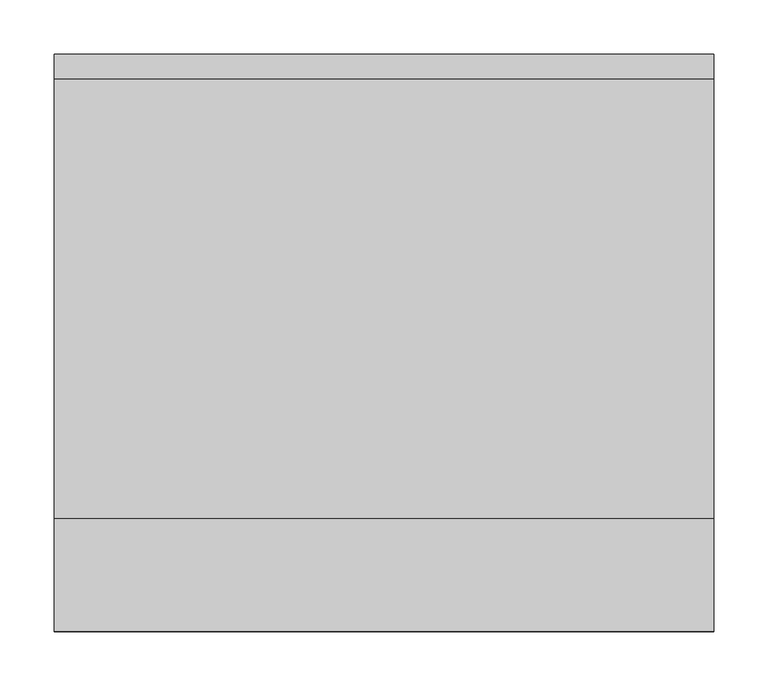
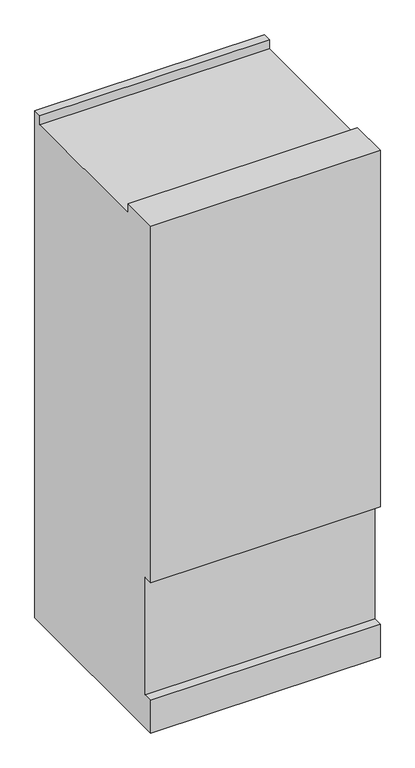
"""IFC4 building model written with IfcOpenShell, lengths in millimetres: proxy geometry."""

import ifcopenshell
import ifcopenshell.guid

model = None  # the IFC model being written
_history = None  # IfcOwnerHistory: only IFC2X3 demands one
_inside = {}  # id of a spatial element -> (the spatial element, [elements in it])
_under = {}  # id of a project, library or spatial element -> (it, [spatial elements below it])
_declared = {}  # id of a project -> (the project, [libraries it declares])
_typed = {}  # id of a type object -> (the type object, [elements of that type])
_made_of = {}  # id of a material, layer set ... -> (it, [elements and type objects made of it])


def new_model(schema):
    """Start an empty IFC model of exactly this schema.

    Asked for "IFC4X3", IfcOpenShell would pick the latest addendum, in which some entities
    have other attributes; the version numbers below select the first issue.
    IFC2X3 requires an IfcOwnerHistory on every rooted entity: one is made here for all.
    """
    global model, _history
    if schema == "IFC4X3":
        model = ifcopenshell.file(schema_version=(4, 3, 0, 0))
    else:
        model = ifcopenshell.file(schema=schema)
    _inside.clear()
    _under.clear()
    _declared.clear()
    _typed.clear()
    _made_of.clear()
    _history = None
    if model.schema == "IFC2X3":
        org = make("IfcOrganization", Name="unknown")
        user = make(
            "IfcPersonAndOrganization",
            ThePerson=make("IfcPerson", FamilyName="unknown"),
            TheOrganization=org,
        )
        app = make(
            "IfcApplication",
            ApplicationDeveloper=org,
            Version="unknown",
            ApplicationFullName="unknown",
            ApplicationIdentifier="unknown",
        )
        _history = make(
            "IfcOwnerHistory",
            OwningUser=user,
            OwningApplication=app,
            ChangeAction="ADDED",
            CreationDate=0,
        )
    return model


def make(cls, **values):
    """One entity of the class cls with the attributes given. An attribute that is None is left unset."""
    return model.create_entity(
        cls, **{name: value for name, value in values.items() if value is not None}
    )


def rooted(cls, **values):
    """An entity with a GlobalId (a new one), such as an element, a storey or a relation."""
    return make(cls, GlobalId=ifcopenshell.guid.new(), OwnerHistory=_history, **values)


def si_unit(unit_type, name, prefix=None):
    """IfcSIUnit, for example si_unit("LENGTHUNIT", "METRE", prefix="MILLI")."""
    return make("IfcSIUnit", UnitType=unit_type, Prefix=prefix, Name=name)


def assignment(units):
    """IfcUnitAssignment: the units of a project."""
    return None if units is None else make("IfcUnitAssignment", Units=units)


def point(xyz):
    """IfcCartesianPoint."""
    return None if xyz is None else make("IfcCartesianPoint", Coordinates=xyz)


def direction(xyz):
    """IfcDirection."""
    return None if xyz is None else make("IfcDirection", DirectionRatios=xyz)


def frame(location, z_axis=None, x_axis=None):
    """IfcAxis2Placement3D, a coordinate frame: its origin and axes. An axis left out is left unset."""
    return make(
        "IfcAxis2Placement3D",
        Location=point(location),
        Axis=direction(z_axis),
        RefDirection=direction(x_axis),
    )


def origin():
    """The frame at (0, 0, 0) with its axes left unset."""
    return frame((0.0, 0.0, 0.0))


def place(relative_to, where):
    """IfcLocalPlacement: puts the frame where relative to a parent placement (None: the world)."""
    return make(
        "IfcLocalPlacement", PlacementRelTo=relative_to, RelativePlacement=where
    )


def context(
    kind, dimensions, precision=None, world=None, true_north=None, identifier=None
):
    """IfcGeometricRepresentationContext, for example the 3D "Model" context."""
    return make(
        "IfcGeometricRepresentationContext",
        ContextIdentifier=identifier,
        ContextType=kind,
        CoordinateSpaceDimension=dimensions,
        Precision=precision,
        WorldCoordinateSystem=world,
        TrueNorth=true_north,
    )


def project(units=None, contexts=None):
    """IfcProject with its units and contexts."""
    return rooted(
        "IfcProject",
        Name="project",
        RepresentationContexts=contexts,
        UnitsInContext=assignment(units),
    )


def spatial(cls, under=None, at=None, **own):
    """A site, building, storey or space (cls), placed at a placement, below another one or the project."""
    s = rooted(cls, ObjectPlacement=at, **own)
    if under is not None:
        _under.setdefault(under.id(), (under, []))[1].append(s)
    return s


def polyline(points):
    """IfcPolyline through the points."""
    return make("IfcPolyline", Points=[point(p) for p in points])


def outline(outer, holes=None, kind="AREA"):
    """IfcArbitraryClosedProfileDef: a profile drawn as a closed curve; with holes, ...WithVoids."""
    if holes is None:
        return make("IfcArbitraryClosedProfileDef", ProfileType=kind, OuterCurve=outer)
    return make(
        "IfcArbitraryProfileDefWithVoids",
        ProfileType=kind,
        OuterCurve=outer,
        InnerCurves=holes,
    )


def extrude(swept, where, along, depth):
    """IfcExtrudedAreaSolid: the profile swept, set in the frame where, extruded along a direction by depth."""
    return make(
        "IfcExtrudedAreaSolid",
        SweptArea=swept,
        Position=where,
        ExtrudedDirection=direction(along),
        Depth=depth,
    )


def shape(context_of_items, identifier, shape_type, items):
    """IfcShapeRepresentation: the items that make up one representation, for example the "Body"."""
    return make(
        "IfcShapeRepresentation",
        ContextOfItems=context_of_items,
        RepresentationIdentifier=identifier,
        RepresentationType=shape_type,
        Items=items,
    )


def source(mapping_origin, context_of_items, identifier, shape_type, items):
    """IfcRepresentationMap: a shape defined once, which mapped items show again and again."""
    return make(
        "IfcRepresentationMap",
        MappingOrigin=mapping_origin,
        MappedRepresentation=shape(context_of_items, identifier, shape_type, items),
    )


def transform(
    local_origin,
    x_axis=None,
    y_axis=None,
    z_axis=None,
    scale=None,
    scale2=None,
    scale3=None,
    uniform=True,
):
    """IfcCartesianTransformationOperator3D, or its non-uniform kind. x_axis, y_axis, z_axis: its Axis1, 2, 3."""
    if uniform:
        return make(
            "IfcCartesianTransformationOperator3D",
            Axis1=direction(x_axis),
            Axis2=direction(y_axis),
            LocalOrigin=point(local_origin),
            Scale=scale,
            Axis3=direction(z_axis),
        )
    return make(
        "IfcCartesianTransformationOperator3DnonUniform",
        Axis1=direction(x_axis),
        Axis2=direction(y_axis),
        LocalOrigin=point(local_origin),
        Scale=scale,
        Axis3=direction(z_axis),
        Scale2=scale2,
        Scale3=scale3,
    )


def mapped(mapping_source, mapping_target):
    """IfcMappedItem: shows the shape of a source again, moved by a transform."""
    return make(
        "IfcMappedItem", MappingSource=mapping_source, MappingTarget=mapping_target
    )


def made_of(thing, what):
    """Note that an element or type object is made of a material, layer set ...; save() writes the relation."""
    if what is not None:
        _made_of.setdefault(what.id(), (what, []))[1].append(thing)
    return thing


def element(
    cls,
    number,
    at=None,
    inside=None,
    cuts=None,
    type_object=None,
    material=None,
    context=None,
    identifier="Body",
    shape_type=None,
    held_by="IfcProductDefinitionShape",
    body=None,
    shapes=None,
    **own,
):
    """One element of the class cls, such as IfcWall. Its Tag is "e" and its number.

    at: its placement. inside: the storey or other place that contains it. cuts: it is an
    opening in that element (IfcRelVoidsElement). A single representation is given by context,
    identifier, shape_type and body (its items); several are given by shapes. held_by: the class
    of the entity that holds the representations. save() writes the other relations.
    """
    e = rooted(cls, Tag="e%d" % number, ObjectPlacement=at, **own)
    if body is not None:
        shapes = [shape(context, identifier, shape_type, body)]
    if shapes is not None:
        e.Representation = make(held_by, Representations=shapes)
    if inside is not None:
        _inside.setdefault(inside.id(), (inside, []))[1].append(e)
    if cuts is not None:
        rooted(
            "IfcRelVoidsElement", RelatingBuildingElement=cuts, RelatedOpeningElement=e
        )
    if type_object is not None:
        _typed.setdefault(type_object.id(), (type_object, []))[1].append(e)
    return made_of(e, material)


def aggregate(whole, parts):
    """IfcRelAggregates: a whole, such as a stair, and the parts it consists of."""
    return rooted("IfcRelAggregates", RelatingObject=whole, RelatedObjects=parts)


def save(model, path):
    """Write the relations noted so far, then the file.

    IfcRelAggregates (storeys below a building ...), IfcRelContainedInSpatialStructure (elements
    in a storey), IfcRelDefinesByType, IfcRelAssociatesMaterial and IfcRelDeclares: one each for
    every whole, place, type object, material and project.
    """
    for whole, parts in _under.values():
        aggregate(whole, parts)
    for where, things in _inside.values():
        rooted(
            "IfcRelContainedInSpatialStructure",
            RelatedElements=things,
            RelatingStructure=where,
        )
    for kind, things in _typed.values():
        rooted("IfcRelDefinesByType", RelatedObjects=things, RelatingType=kind)
    for what, things in _made_of.values():
        rooted("IfcRelAssociatesMaterial", RelatedObjects=things, RelatingMaterial=what)
    for by, libraries in _declared.values():
        rooted("IfcRelDeclares", RelatingContext=by, RelatedDefinitions=libraries)
    model.write(path)


def mechanical_equipment_5379aca0(model_context):
    return source(origin(), model_context, "Body", "SweptSolid", [
        extrude(outline(polyline([(266.7, 0.0), (-266.7, 0.0), (-266.7, 91.8765625), (-241.3, 91.8765625), (-241.3, 422.0765625), (-266.7, 422.0765625), (-266.7, 1422.4), (-162.5203125, 1422.4), (-162.5203125, 1397.0), (243.8796875, 1397.0), (243.8796875, 1422.4), (266.7, 1422.4), (266.7, 0.0)])), frame((-304.8, 0.0, 0.0), z_axis=(1.0, 0.0, 0.0), x_axis=(0.0, 1.0, 0.0)), (0.0, 0.0, 1.0), 609.6),
    ])


if __name__ == "__main__":
    model = new_model("IFC4")
    model_context = context("Model", 3, world=origin())
    ifc_project = project(units=[si_unit("LENGTHUNIT", "METRE", prefix="MILLI")], contexts=[model_context])
    site = spatial("IfcSite", under=ifc_project)
    building = spatial("IfcBuilding", under=site)
    placement = place(None, origin())
    mechanical_equipment_shape = mechanical_equipment_5379aca0(model_context)
    element("IfcBuildingElementProxy", 1, Name="Mechanical Equipment", at=placement, inside=building, context=model_context, shape_type="MappedRepresentation", body=[
        mapped(mechanical_equipment_shape, transform((0.0, 0.0, 0.0), x_axis=(1.0, 0.0, 0.0), y_axis=(0.0, 1.0, 0.0), z_axis=(0.0, 0.0, 1.0))),
    ])
    save(model, "model.ifc")
